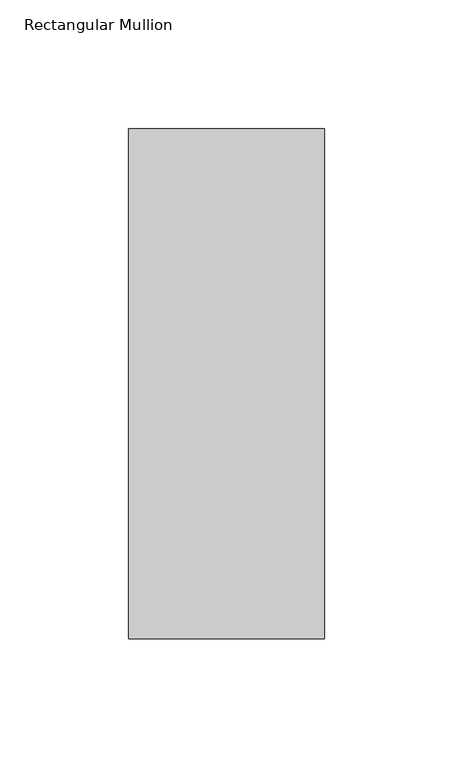
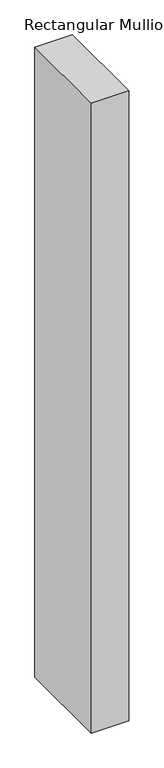
"""IFC4 building model written with IfcOpenShell, lengths in millimetres: member geometry, Rectangular Mullion."""

from ifc_helpers import new_model, si_unit, frame, origin, place, context, project, spatial, polyline, outline, extrude, source, transform, mapped, element, save


def rectangular_mullion_23492a29(model_context):
    return source(origin(), model_context, "Body", "SweptSolid", [
        extrude(outline(polyline([(38.1, -156.36875), (-38.1, -156.36875), (-38.1, 42.06875), (38.1, 42.06875), (38.1, -156.36875)])), frame((0.0, 0.0, -1350.8223051), z_axis=(0.0, 0.0, 1.0), x_axis=(1.0, 0.0, 0.0)), (0.0, 0.0, 1.0), 1350.8223051),
    ])


if __name__ == "__main__":
    model = new_model("IFC4")
    model_context = context("Model", 3, world=origin())
    ifc_project = project(units=[si_unit("LENGTHUNIT", "METRE", prefix="MILLI")], contexts=[model_context])
    site = spatial("IfcSite", under=ifc_project)
    building = spatial("IfcBuilding", under=site)
    placement = place(None, origin())
    rectangular_mullion_shape = rectangular_mullion_23492a29(model_context)
    element("IfcMember", 1, ObjectType="Rectangular Mullion", at=placement, inside=building, context=model_context, shape_type="MappedRepresentation", body=[
        mapped(rectangular_mullion_shape, transform((0.0, 0.0, 0.0), x_axis=(1.0, 0.0, 0.0), y_axis=(0.0, 1.0, 0.0), z_axis=(0.0, 0.0, 1.0))),
    ])
    save(model, "model.ifc")
